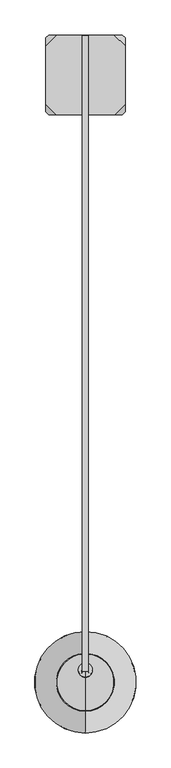
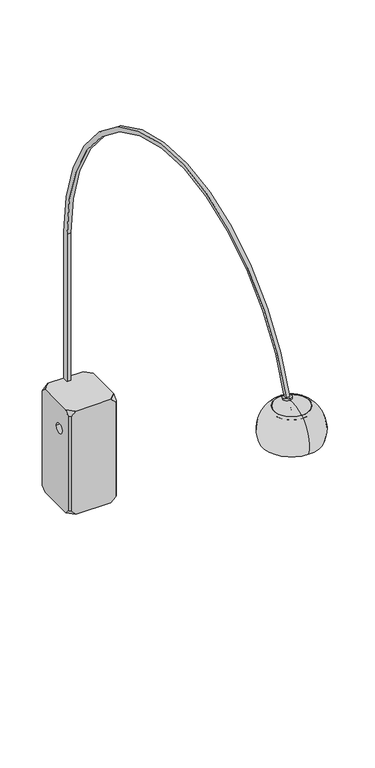
"""IFC4 building model written with IfcOpenShell, lengths in millimetres: furniture geometry."""

from ifc_helpers import new_model, si_unit, point, frame, frame_2d, origin, place, context, project, spatial, polyline, circle_curve, ellipse_curve, trimmed, segment, composite_curve, outline, extrude, source, transform, mapped, element, save
from ifc_brep_helpers import plane_surface, cylinder_surface, revolved_surface, advanced_brep


def furniture_9d100c04(model_context):
    return source(origin(), model_context, "Body", "SolidModel", [
        advanced_brep(
        [(-121.2662506, -32.5109863, 550.3177643), (-121.2662506, -211.4180715, 550.3177643), (-89.2468221, -243.4375, 550.3177643), (89.2468221, -243.4375, 550.3177643), (121.2662506, -211.4180715, 550.3177643), (121.2662506, -32.5109863, 550.3177643), (88.7552643, 0.0, 550.3177643), (-88.7552643, 0.0, 550.3177643), (-88.6548773, 0.0, 0.0), (88.6548773, 0.0, 0.0), (121.2662506, -32.6113733, 0.0), (121.2662506, -211.3176845, 0.0), (89.1464351, -243.4375, 0.0), (-89.1464351, -243.4375, 0.0), (-121.2662506, -211.3176845, 0.0), (-121.2662506, -32.6113733, 0.0), (-121.2662506, -9.0891133, 526.6651123), (-121.2662506, -9.0891133, 23.5163369), (-121.2662506, -234.3484402, 23.0249563), (-121.2662506, -234.3484402, 527.1614595), (-121.2662506, -180.5497174, 416.8774419), (-121.2662506, -129.7497174, 416.8774419), (-112.1771908, -243.4375, 23.0249563), (-112.1771908, -243.4375, 527.1614595), (112.1772003, -243.4375, 23.0249658), (112.1772003, -243.4375, 527.1614499), (121.2662506, -234.3484497, 23.0249658), (121.2662506, -234.3484497, 527.1614499), (121.2662506, -9.0890503, 23.5163998), (121.2662506, -9.0890503, 526.6650486), (121.2662506, -129.7497174, 416.8774419), (121.2662506, -180.5497174, 416.8774419), (112.1772003, 0.0, 23.5163998), (112.1772003, 0.0, 526.6650486), (-112.1771373, 0.0, 23.5163369), (-112.1771373, 0.0, 526.6651123)],
        [
            (0, 1),
            (1, 2),
            (2, 3),
            (3, 4),
            (4, 5),
            (5, 6),
            (6, 7),
            (7, 0),
            (8, 9),
            (9, 10),
            (10, 11),
            (11, 12),
            (12, 13),
            (13, 14),
            (14, 15),
            (15, 8),
            (0, 16),
            (16, 17),
            (17, 15),
            (14, 18),
            (18, 19),
            (19, 1),
            (20, 21, circle_curve(frame((-121.2662506, -155.1497174, 416.8774419), z_axis=(1.0, 0.0, 0.0), x_axis=(0.0, 1.0, 0.0)), 25.4)),
            (21, 20, circle_curve(frame((-121.2662506, -155.1497174, 416.8774419), z_axis=(1.0, 0.0, 0.0), x_axis=(0.0, 1.0, 0.0)), 25.4)),
            (18, 22),
            (22, 23),
            (23, 19),
            (2, 23),
            (22, 13),
            (12, 24),
            (24, 25),
            (25, 3),
            (24, 26),
            (26, 27),
            (27, 25),
            (4, 27),
            (26, 11),
            (10, 28),
            (28, 29),
            (29, 5),
            (30, 31, circle_curve(frame((121.2662506, -155.1497174, 416.8774419), z_axis=(-1.0, 0.0, 0.0), x_axis=(0.0, 1.0, 0.0)), 25.4)),
            (31, 30, circle_curve(frame((121.2662506, -155.1497174, 416.8774419), z_axis=(-1.0, 0.0, 0.0), x_axis=(0.0, 1.0, 0.0)), 25.4)),
            (28, 32),
            (32, 33),
            (33, 29),
            (6, 33),
            (32, 9),
            (8, 34),
            (34, 35),
            (35, 7),
            (16, 35),
            (34, 17),
            (20, 31),
            (30, 21),
        ],
        [
            plane_surface(frame((-121.2662506, -234.3484497, 550.3177643), z_axis=(0.0, 0.0, 1.0), x_axis=(0.0, -1.0, 0.0))),
            plane_surface(frame((-121.2662506, -234.3484497, 0.0), z_axis=(0.0, 0.0, -1.0), x_axis=(0.0, 1.0, 0.0))),
            plane_surface(frame((-121.2662506, -9.0891133, 550.3177643), z_axis=(-1.0, 0.0, 0.0), x_axis=(0.0, 0.0, -1.0))),
            plane_surface(frame((-121.2662506, -234.3484402, 550.3177643), z_axis=(-0.7071067811865501, -0.7071067811865449, 0.0), x_axis=(0.0, 0.0, -1.0))),
            plane_surface(frame((-112.1771908, -243.4375, 550.3177643), z_axis=(0.0, -1.0, 0.0), x_axis=(0.0, 0.0, -1.0))),
            plane_surface(frame((112.1772003, -243.4375, 550.3177643), z_axis=(0.7071067811865476, -0.7071067811865476, 0.0), x_axis=(0.0, 0.0, -1.0))),
            plane_surface(frame((121.2662506, -234.3484497, 550.3177643), z_axis=(1.0, 0.0, 0.0), x_axis=(0.0, 0.0, -1.0))),
            plane_surface(frame((121.2662506, -9.0890503, 550.3177643), z_axis=(0.7071067811865515, 0.7071067811865437, 0.0), x_axis=(0.0, 0.0, -1.0))),
            plane_surface(frame((112.1772003, 0.0, 550.3177643), z_axis=(0.0, 1.0, 0.0), x_axis=(0.0, 0.0, -1.0))),
            plane_surface(frame((-112.1771373, 0.0, 550.3177643), z_axis=(-0.7071067811865476, 0.7071067811865475, 0.0), x_axis=(0.0, 0.0, -1.0))),
            plane_surface(frame((-234.1416662, -121.9645289, 23.5163369), z_axis=(-0.5773017958570434, -0.5773017958570408, -0.5774472036476308), x_axis=(0.7071067811865459, -0.7071067811865491, 0.0))),
            plane_surface(frame((-210.7197932, -121.9645289, 550.3177643), z_axis=(-0.5792279653395698, -0.5792279653395673, 0.5735764363510476), x_axis=(0.7071067811865461, -0.707106781186549, 0.0))),
            plane_surface(frame((0.0, 112.1771373, 23.5163369), z_axis=(-0.5773017958570414, 0.5773017958570426, -0.5774472036476308), x_axis=(-0.7071067811865482, -0.7071067811865468, 0.0))),
            plane_surface(frame((0.0, 88.7552643, 550.3177643), z_axis=(-0.579227965339568, 0.5792279653395691, 0.5735764363510477), x_axis=(-0.7071067811865482, -0.7071067811865469, 0.0))),
            plane_surface(frame((0.0, -356.1061951, 23.5163369), z_axis=(0.5773017958570433, -0.5773017958570409, -0.5774472036476308), x_axis=(0.7071067811865461, 0.707106781186549, 0.0))),
            plane_surface(frame((0.0, -332.6843221, 550.3177643), z_axis=(0.5792279653395699, -0.5792279653395672, 0.5735764363510474), x_axis=(0.7071067811865459, 0.7071067811865491, 0.0))),
            plane_surface(frame((234.1416662, -121.9645289, 23.5163369), z_axis=(0.5773017958570414, 0.5773017958570427, -0.5774472036476307), x_axis=(-0.7071067811865482, 0.7071067811865468, 0.0))),
            plane_surface(frame((210.7197932, -121.9645289, 550.3177643), z_axis=(0.5792279653395679, 0.5792279653395691, 0.5735764363510474), x_axis=(-0.7071067811865482, 0.7071067811865468, 0.0))),
            revolved_surface(polyline([(121.26625060000003, -129.74971739999998, 416.8774419), (-121.2662506, -129.74971739999998, 416.8774419)]), (-308.016216, -155.1497174, 416.8774419), (1.0, 0.0, 0.0)),
        ],
        [
            (0, [[1, 2, 3, 4, 5, 6, 7, 8]]),
            (1, [[9, 10, 11, 12, 13, 14, 15, 16]]),
            (2, [[-1, 17, 18, 19, -15, 20, 21, 22], [23, 24]]),
            (3, [[-21, 25, 26, 27]]),
            (4, [[-3, 28, -26, 29, -13, 30, 31, 32]]),
            (5, [[-31, 33, 34, 35]]),
            (6, [[-5, 36, -34, 37, -11, 38, 39, 40], [41, 42]]),
            (7, [[-39, 43, 44, 45]]),
            (8, [[-7, 46, -44, 47, -9, 48, 49, 50]]),
            (9, [[-18, 51, -49, 52]]),
            (10, [[-14, -29, -25, -20]]),
            (11, [[-2, -22, -27, -28]]),
            (12, [[-16, -19, -52, -48]]),
            (13, [[-8, -50, -51, -17]]),
            (14, [[-12, -37, -33, -30]]),
            (15, [[-4, -32, -35, -36]]),
            (16, [[-10, -47, -43, -38]]),
            (17, [[-6, -40, -45, -46]]),
            (18, [[53, -41, 54, -23]]),
            (18, [[-53, -24, -54, -42]]),
        ],
    ),
        advanced_brep(
        [(0.0, -1879.6083263, 1588.88333), (0.0, -2073.1163291, 1588.88333), (0.0, -2074.2164315, 1589.9834324), (0.0, -1878.5082239, 1589.9834324), (0.0, -1976.3623277, 1618.0339469), (0.0, -1976.3623277, 1619.5579548)],
        [
            (0, 1, circle_curve(frame((0.0, -1976.3623277, 1588.88333), z_axis=(0.0, 0.0, 1.0), x_axis=(0.0, -1.0, 0.0)), 96.7540014)),
            (1, 2),
            (2, 3, circle_curve(frame((0.0, -1976.3623277, 1589.9834324), z_axis=(0.0, 0.0, -1.0), x_axis=(0.0, -1.0, 0.0)), 97.8541038)),
            (3, 0),
            (1, 0, circle_curve(frame((0.0, -1976.3623277, 1588.88333), z_axis=(0.0, 0.0, 1.0), x_axis=(0.0, -1.0, 0.0)), 96.7540014)),
            (3, 2, circle_curve(frame((0.0, -1976.3623277, 1589.9834324), z_axis=(0.0, 0.0, -1.0), x_axis=(0.0, -1.0, 0.0)), 97.8541038)),
            (4, 1, circle_curve(frame((0.0, -1975.7914315, 1440.9953572), z_axis=(1.0, 0.0, 0.0), x_axis=(0.0, 1.0, 0.0)), 177.0395102)),
            (0, 4, circle_curve(frame((0.0, -1976.9332239, 1440.9953572), z_axis=(1.0, 0.0, 0.0), x_axis=(0.0, -1.0, 0.0)), 177.0395102)),
            (2, 5, circle_curve(frame((0.0, -1975.7914315, 1440.9953572), z_axis=(-1.0, 0.0, 0.0), x_axis=(0.0, 1.0, 0.0)), 178.5635102)),
            (5, 3, circle_curve(frame((0.0, -1976.9332239, 1440.9953572), z_axis=(-1.0, 0.0, 0.0), x_axis=(0.0, -1.0, 0.0)), 178.5635102)),
        ],
        [
            revolved_surface(polyline([(0.0, -2074.2164315, 1589.9834324), (0.0, -2073.1163291, 1588.88333)]), (0.0, -1976.3623277, 1015.4047399), (0.0, 0.0, -1.0)),
            revolved_surface(trimmed(ellipse_curve(frame((0.0, -1975.7914315, 1440.9953572), z_axis=(-1.0, 0.0, 0.0), x_axis=(0.0, 1.0, 0.0)), 177.0395102, 177.0395102), [point((0.0, -2073.1163291, 1588.88333))], [point((0.0, -1976.3623277, 1618.0339469))], True, "CARTESIAN"), (0.0, -1976.3623277, 1015.4047399), (0.0, 0.0, -1.0)),
            revolved_surface(trimmed(ellipse_curve(frame((0.0, -1975.7914315, 1440.9953572), z_axis=(1.0, 0.0, 0.0), x_axis=(0.0, 1.0, 0.0)), 178.5635102, 178.5635102), [point((0.0, -1976.3623277, 1619.5579548))], [point((0.0, -2074.2164315, 1589.9834324))], True, "CARTESIAN"), (0.0, -1976.3623277, 1015.4047399), (0.0, 0.0, -1.0)),
        ],
        [
            (0, [[1, 2, 3, 4]]),
            (0, [[5, -4, 6, -2]]),
            (1, [[7, -1, 8]]),
            (1, [[-8, -5, -7]]),
            (2, [[-3, 9, 10]]),
            (2, [[-6, -10, -9]]),
        ],
    ),
        advanced_brep(
        [(0.0, -1961.7403225, 1518.7355049), (0.0, -1964.3055729, 1557.9879543), (0.0, -1941.047432, 1552.1890485), (0.0, -1938.5788889, 1569.7536456), (0.0, -1958.2390883, 1574.6554839), (0.0, -1948.4089886, 1572.2045647)],
        [
            (0, 1, circle_curve(frame((0.0, -1956.7337028, 1538.7727482), z_axis=(-1.0, 0.0, 0.0), x_axis=(0.0, 0.9702957262759969, -0.24192189559966604)), 20.6532652)),
            (1, 2, circle_curve(frame((0.0, -1952.6765025, 1555.0885014), z_axis=(0.0, -0.24192189559966604, -0.9702957262759969), x_axis=(0.0, -0.9702957262759969, 0.24192189559966604)), 11.9850785)),
            (2, 0, circle_curve(frame((0.0, -1956.7539894, 1538.7778063), z_axis=(-1.0, 0.0, 0.0), x_axis=(0.0, -0.9702957262759969, 0.24192189559966604)), 20.6532652)),
            (2, 1, circle_curve(frame((0.0, -1952.6765025, 1555.0885014), z_axis=(0.0, -0.24192189559966604, -0.9702957262759969), x_axis=(0.0, -0.9702957262759969, 0.24192189559966604)), 11.9850785)),
            (3, 4, circle_curve(frame((0.0, -1948.4089886, 1572.2045647), z_axis=(0.0, 0.24192189559966604, 0.9702957262759969), x_axis=(0.0, -0.9702957262759969, 0.24192189559966604)), 10.1310347)),
            (4, 5),
            (5, 3),
            (4, 3, circle_curve(frame((0.0, -1948.4089886, 1572.2045647), z_axis=(0.0, 0.24192189559966604, 0.9702957262759969), x_axis=(0.0, -0.9702957262759969, 0.24192189559966604)), 10.1310347)),
            (1, 4),
            (3, 2),
        ],
        [
            revolved_surface(trimmed(ellipse_curve(frame((0.0, -1956.7337028, 1538.7727482), z_axis=(1.0, 0.0, 0.0), x_axis=(0.0, 0.9702957262759969, -0.24192189559966604)), 20.6532652, 20.6532652), [point((0.0, -1964.3055729, 1557.9879543))], [point((0.0, -1961.7403225, 1518.7355049))], True, "CARTESIAN"), (0.0, -1928.5295775, 1651.9365279), (0.0, -0.24192189559966604, -0.9702957262759969)),
            plane_surface(frame((0.0, -1948.4089886, 1572.2045647), z_axis=(0.0, 0.24192189559966604, 0.9702957262759969), x_axis=(0.0, -0.9702957262759969, 0.24192189559966604))),
            revolved_surface(polyline([(0.0, -1958.2390883, 1574.6554839), (0.0, -1964.3055729, 1557.9879543)]), (0.0, -1928.5295775, 1651.9365279), (0.0, -0.24192189559966604, -0.9702957262759969)),
        ],
        [
            (0, [[1, 2, 3]]),
            (0, [[-3, 4, -1]]),
            (1, [[5, 6, 7]]),
            (1, [[8, -7, -6]]),
            (2, [[-2, 9, -5, 10]]),
            (2, [[-4, -10, -8, -9]]),
        ],
    ),
        advanced_brep(
        [(0.0, -1950.4858701, 1566.719416), (0.0, -1962.4347342, 1569.5380817), (0.0, -1938.4047671, 1564.5360287), (0.0, -1952.0625756, 1616.9205505), (0.0, -1929.0084704, 1612.121632), (0.0, -1917.646961, 1618.8228766), (0.0, -1959.8063998, 1627.5987415), (0.0, -1938.7266804, 1623.2108091), (0.0, -1919.4032346, 1610.3857018), (0.0, -1961.5626733, 1619.1615668)],
        [
            (0, 1),
            (1, 2, circle_curve(frame((0.0, -1950.4197507, 1567.0370552), z_axis=(0.0, -0.20379063960684649, -0.9790144918276912), x_axis=(0.0, -0.9790144918276912, 0.20379063960684649)), 12.2725288)),
            (2, 0),
            (2, 1, circle_curve(frame((0.0, -1950.4197507, 1567.0370552), z_axis=(0.0, -0.20379063960684649, -0.9790144918276912), x_axis=(0.0, -0.9790144918276912, 0.20379063960684649)), 12.2725288)),
            (1, 3),
            (3, 4, circle_curve(frame((0.0, -1940.535523, 1614.5210913), z_axis=(0.0, -0.20379063960684649, -0.9790144918276912), x_axis=(0.0, -0.9790144918276912, 0.20379063960684649)), 11.7741389)),
            (4, 2),
            (4, 3, circle_curve(frame((0.0, -1940.535523, 1614.5210913), z_axis=(0.0, -0.20379063960684649, -0.9790144918276912), x_axis=(0.0, -0.9790144918276912, 0.20379063960684649)), 11.7741389)),
            (5, 6, circle_curve(frame((0.0, -1938.7266804, 1623.2108091), z_axis=(0.0, 0.20379063960684649, 0.9790144918276912), x_axis=(0.0, -0.9790144918276912, 0.20379063960684649)), 21.5315703)),
            (6, 7),
            (7, 5),
            (6, 5, circle_curve(frame((0.0, -1938.7266804, 1623.2108091), z_axis=(0.0, 0.20379063960684649, 0.9790144918276912), x_axis=(0.0, -0.9790144918276912, 0.20379063960684649)), 21.5315703)),
            (8, 9, circle_curve(frame((0.0, -1940.4829539, 1614.7736343), z_axis=(0.0, 0.20379063960684649, 0.9790144918276912), x_axis=(0.0, -0.9790144918276912, 0.20379063960684649)), 21.5315703)),
            (9, 6),
            (5, 8),
            (9, 8, circle_curve(frame((0.0, -1940.4829539, 1614.7736343), z_axis=(0.0, 0.20379063960684649, 0.9790144918276912), x_axis=(0.0, -0.9790144918276912, 0.20379063960684649)), 21.5315703)),
            (3, 9),
            (8, 4),
        ],
        [
            revolved_surface(polyline([(0.0, -1962.4347342, 1569.5380817), (0.0, -1950.4858701, 1566.719416)]), (0.0, -1921.7104955, 1704.9569169), (0.0, -0.20379063960684649, -0.9790144918276912)),
            revolved_surface(polyline([(0.0, -1952.0625756, 1616.9205505), (0.0, -1962.4347342, 1569.5380817)]), (0.0, -1921.7104955, 1704.9569169), (0.0, -0.20379063960684649, -0.9790144918276912)),
            plane_surface(frame((0.0, -1938.7266804, 1623.2108091), z_axis=(0.0, 0.20379063960684649, 0.9790144918276912), x_axis=(0.0, -0.9790144918276912, 0.20379063960684649))),
            cylinder_surface(frame((0.0, -1921.7104955, 1704.9569169), z_axis=(0.0, -0.20379063960684649, -0.9790144918276912), x_axis=(0.0, -0.9790144918276912, 0.20379063960684649)), 21.5315703),
            revolved_surface(polyline([(0.0, -1961.5626733, 1619.1615668), (0.0, -1952.0625756, 1616.9205505)]), (0.0, -1921.7104955, 1704.9569169), (0.0, -0.20379063960684649, -0.9790144918276912)),
        ],
        [
            (0, [[1, 2, 3]]),
            (0, [[-3, 4, -1]]),
            (1, [[-2, 5, 6, 7]]),
            (1, [[-4, -7, 8, -5]]),
            (2, [[9, 10, 11]]),
            (2, [[12, -11, -10]]),
            (3, [[13, 14, -9, 15]]),
            (3, [[16, -15, -12, -14]]),
            (4, [[-6, 17, -13, 18]]),
            (4, [[-8, -18, -16, -17]]),
        ],
    ),
        advanced_brep(
        [(0.0, -1831.313236, 1427.8789107), (0.0, -2121.4114194, 1427.8789107), (0.0, -2123.0282583, 1427.8789107), (0.0, -1829.6963971, 1427.8789107), (0.0, -1889.2390237, 1598.9803979), (0.0, -2063.4856317, 1598.9803979), (0.0, -1888.1374819, 1600.0819397), (0.0, -2064.5871735, 1600.0819397)],
        [
            (0, 1, circle_curve(frame((0.0, -1976.3623277, 1427.8789107), z_axis=(0.0, 0.0, 1.0), x_axis=(0.0, -1.0, 0.0)), 145.0490917)),
            (1, 2),
            (2, 3, circle_curve(frame((0.0, -1976.3623277, 1427.8789107), z_axis=(0.0, 0.0, -1.0), x_axis=(0.0, -1.0, 0.0)), 146.6659306)),
            (3, 0),
            (1, 0, circle_curve(frame((0.0, -1976.3623277, 1427.8789107), z_axis=(0.0, 0.0, 1.0), x_axis=(0.0, -1.0, 0.0)), 145.0490917)),
            (3, 2, circle_curve(frame((0.0, -1976.3623277, 1427.8789107), z_axis=(0.0, 0.0, -1.0), x_axis=(0.0, -1.0, 0.0)), 146.6659306)),
            (4, 5, circle_curve(frame((0.0, -1976.3623277, 1598.9803979), z_axis=(0.0, 0.0, 1.0), x_axis=(0.0, -1.0, 0.0)), 87.123304)),
            (5, 1, circle_curve(frame((0.0, -1984.1995014, 1476.7823399), z_axis=(1.0, 0.0, 0.0), x_axis=(0.0, 1.0, 0.0)), 145.6662481)),
            (0, 4, circle_curve(frame((0.0, -1968.525154, 1476.7823399), z_axis=(1.0, 0.0, 0.0), x_axis=(0.0, -1.0, 0.0)), 145.6662481)),
            (5, 4, circle_curve(frame((0.0, -1976.3623277, 1598.9803979), z_axis=(0.0, 0.0, 1.0), x_axis=(0.0, -1.0, 0.0)), 87.123304)),
            (6, 7, circle_curve(frame((0.0, -1976.3623277, 1600.0819397), z_axis=(0.0, 0.0, 1.0), x_axis=(0.0, -1.0, 0.0)), 88.2248458)),
            (7, 5),
            (4, 6),
            (7, 6, circle_curve(frame((0.0, -1976.3623277, 1600.0819397), z_axis=(0.0, 0.0, 1.0), x_axis=(0.0, -1.0, 0.0)), 88.2248458)),
            (2, 7, circle_curve(frame((0.0, -1984.1995014, 1476.7823399), z_axis=(-1.0, 0.0, 0.0), x_axis=(0.0, 1.0, 0.0)), 147.1902481)),
            (6, 3, circle_curve(frame((0.0, -1968.525154, 1476.7823399), z_axis=(-1.0, 0.0, 0.0), x_axis=(0.0, -1.0, 0.0)), 147.1902481)),
        ],
        [
            plane_surface(frame((0.0, -1976.3623277, 1427.8789107), z_axis=(0.0, 0.0, -1.0), x_axis=(0.0, -1.0, 0.0))),
            revolved_surface(trimmed(ellipse_curve(frame((0.0, -1984.1995014, 1476.7823399), z_axis=(-1.0, 0.0, 0.0), x_axis=(0.0, 1.0, 0.0)), 145.6662481, 145.6662481), [point((0.0, -2121.4114194, 1427.8789107))], [point((0.0, -2063.4856317, 1598.9803979))], True, "CARTESIAN"), (0.0, -1976.3623277, 1010.3247399), (0.0, 0.0, -1.0)),
            revolved_surface(polyline([(0.0, -2063.4856317, 1598.9803979), (0.0, -2064.5871735, 1600.0819397)]), (0.0, -1976.3623277, 1010.3247399), (0.0, 0.0, -1.0)),
            revolved_surface(trimmed(ellipse_curve(frame((0.0, -1984.1995014, 1476.7823399), z_axis=(1.0, 0.0, 0.0), x_axis=(0.0, 1.0, 0.0)), 147.1902481, 147.1902481), [point((0.0, -2064.5871735, 1600.0819397))], [point((0.0, -2123.0282583, 1427.8789107))], True, "CARTESIAN"), (0.0, -1976.3623277, 1010.3247399), (0.0, 0.0, -1.0)),
        ],
        [
            (0, [[1, 2, 3, 4]]),
            (0, [[5, -4, 6, -2]]),
            (1, [[7, 8, -1, 9]]),
            (1, [[10, -9, -5, -8]]),
            (2, [[11, 12, -7, 13]]),
            (2, [[14, -13, -10, -12]]),
            (3, [[-3, 15, -11, 16]]),
            (3, [[-6, -16, -14, -15]]),
        ],
    ),
        extrude(outline(composite_curve([segment(polyline([(-2.8666687, 550.3177643), (-30.7026672, 550.3177643), (-30.7026672, 1336.9212421)]), True, "CONTINUOUS"), segment(trimmed(circle_curve(frame_2d((-1000.8606416, 1336.9212421)), 970.1579744), [point((-30.7026672, 1336.9212421))], [point((-1928.4718074, 1621.0761654))], True, "CARTESIAN"), True, "CONTINUOUS"), segment(polyline([(-1928.4718074, 1621.0761654), (-1944.1852069, 1624.3470503)]), True, "CONTINUOUS"), segment(trimmed(circle_curve(frame_2d((-995.3446872, 1333.2898647)), 992.4780185), [point((-1944.1852069, 1624.3470503))], [point((-2.8666687, 1333.2898647))], False, "CARTESIAN"), True, "CONTINUOUS"), segment(polyline([(-2.8666687, 1333.2898647), (-2.8666687, 550.3177643)]), True, "CONTINUOUS")], self_intersect=False)), frame((-9.3077245, 0.0, 0.0), z_axis=(1.0, 0.0, 0.0), x_axis=(0.0, 1.0, 0.0)), (0.0, 0.0, 1.0), 18.615449),
    ])


if __name__ == "__main__":
    model = new_model("IFC4")
    model_context = context("Model", 3, world=origin())
    ifc_project = project(units=[si_unit("LENGTHUNIT", "METRE", prefix="MILLI")], contexts=[model_context])
    site = spatial("IfcSite", under=ifc_project)
    building = spatial("IfcBuilding", under=site)
    placement = place(None, origin())
    furniture_shape = furniture_9d100c04(model_context)
    element("IfcFurniture", 1, at=placement, inside=building, context=model_context, shape_type="MappedRepresentation", body=[
        mapped(furniture_shape, transform((0.0, 0.0, 0.0), x_axis=(1.0, 0.0, 0.0), y_axis=(0.0, 1.0, 0.0), z_axis=(0.0, 0.0, 1.0))),
    ])
    save(model, "model.ifc")
